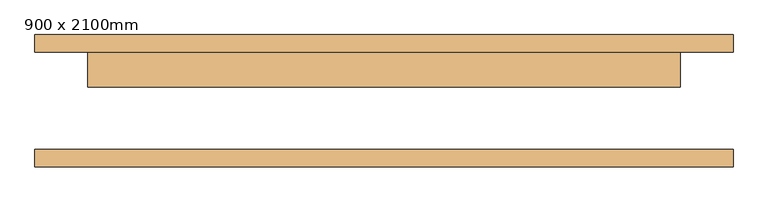
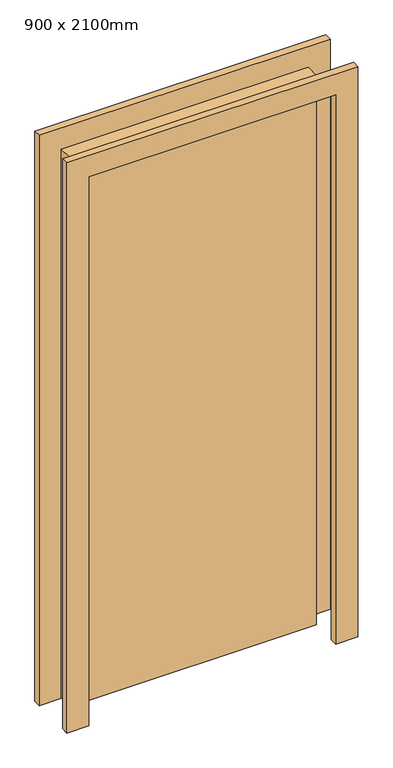
"""IFC4 building model written with IfcOpenShell, lengths in millimetres: door geometry, 900 x 2100mm."""

import ifcopenshell
import ifcopenshell.guid

model = None  # the IFC model being written
_history = None  # IfcOwnerHistory: only IFC2X3 demands one
_inside = {}  # id of a spatial element -> (the spatial element, [elements in it])
_under = {}  # id of a project, library or spatial element -> (it, [spatial elements below it])
_declared = {}  # id of a project -> (the project, [libraries it declares])
_typed = {}  # id of a type object -> (the type object, [elements of that type])
_made_of = {}  # id of a material, layer set ... -> (it, [elements and type objects made of it])


def new_model(schema):
    """Start an empty IFC model of exactly this schema.

    Asked for "IFC4X3", IfcOpenShell would pick the latest addendum, in which some entities
    have other attributes; the version numbers below select the first issue.
    IFC2X3 requires an IfcOwnerHistory on every rooted entity: one is made here for all.
    """
    global model, _history
    if schema == "IFC4X3":
        model = ifcopenshell.file(schema_version=(4, 3, 0, 0))
    else:
        model = ifcopenshell.file(schema=schema)
    _inside.clear()
    _under.clear()
    _declared.clear()
    _typed.clear()
    _made_of.clear()
    _history = None
    if model.schema == "IFC2X3":
        org = make("IfcOrganization", Name="unknown")
        user = make(
            "IfcPersonAndOrganization",
            ThePerson=make("IfcPerson", FamilyName="unknown"),
            TheOrganization=org,
        )
        app = make(
            "IfcApplication",
            ApplicationDeveloper=org,
            Version="unknown",
            ApplicationFullName="unknown",
            ApplicationIdentifier="unknown",
        )
        _history = make(
            "IfcOwnerHistory",
            OwningUser=user,
            OwningApplication=app,
            ChangeAction="ADDED",
            CreationDate=0,
        )
    return model


def make(cls, **values):
    """One entity of the class cls with the attributes given. An attribute that is None is left unset."""
    return model.create_entity(
        cls, **{name: value for name, value in values.items() if value is not None}
    )


def rooted(cls, **values):
    """An entity with a GlobalId (a new one), such as an element, a storey or a relation."""
    return make(cls, GlobalId=ifcopenshell.guid.new(), OwnerHistory=_history, **values)


def si_unit(unit_type, name, prefix=None):
    """IfcSIUnit, for example si_unit("LENGTHUNIT", "METRE", prefix="MILLI")."""
    return make("IfcSIUnit", UnitType=unit_type, Prefix=prefix, Name=name)


def assignment(units):
    """IfcUnitAssignment: the units of a project."""
    return None if units is None else make("IfcUnitAssignment", Units=units)


def point(xyz):
    """IfcCartesianPoint."""
    return None if xyz is None else make("IfcCartesianPoint", Coordinates=xyz)


def direction(xyz):
    """IfcDirection."""
    return None if xyz is None else make("IfcDirection", DirectionRatios=xyz)


def frame(location, z_axis=None, x_axis=None):
    """IfcAxis2Placement3D, a coordinate frame: its origin and axes. An axis left out is left unset."""
    return make(
        "IfcAxis2Placement3D",
        Location=point(location),
        Axis=direction(z_axis),
        RefDirection=direction(x_axis),
    )


def origin():
    """The frame at (0, 0, 0) with its axes left unset."""
    return frame((0.0, 0.0, 0.0))


def origin_with_axes():
    """The frame at (0, 0, 0) with the z axis (0, 0, 1) and the x axis (1, 0, 0) written out."""
    return frame((0.0, 0.0, 0.0), z_axis=(0.0, 0.0, 1.0), x_axis=(1.0, 0.0, 0.0))


def place(relative_to, where):
    """IfcLocalPlacement: puts the frame where relative to a parent placement (None: the world)."""
    return make(
        "IfcLocalPlacement", PlacementRelTo=relative_to, RelativePlacement=where
    )


def context(
    kind, dimensions, precision=None, world=None, true_north=None, identifier=None
):
    """IfcGeometricRepresentationContext, for example the 3D "Model" context."""
    return make(
        "IfcGeometricRepresentationContext",
        ContextIdentifier=identifier,
        ContextType=kind,
        CoordinateSpaceDimension=dimensions,
        Precision=precision,
        WorldCoordinateSystem=world,
        TrueNorth=true_north,
    )


def project(units=None, contexts=None):
    """IfcProject with its units and contexts."""
    return rooted(
        "IfcProject",
        Name="project",
        RepresentationContexts=contexts,
        UnitsInContext=assignment(units),
    )


def spatial(cls, under=None, at=None, **own):
    """A site, building, storey or space (cls), placed at a placement, below another one or the project."""
    s = rooted(cls, ObjectPlacement=at, **own)
    if under is not None:
        _under.setdefault(under.id(), (under, []))[1].append(s)
    return s


def polyline(points):
    """IfcPolyline through the points."""
    return make("IfcPolyline", Points=[point(p) for p in points])


def outline(outer, holes=None, kind="AREA"):
    """IfcArbitraryClosedProfileDef: a profile drawn as a closed curve; with holes, ...WithVoids."""
    if holes is None:
        return make("IfcArbitraryClosedProfileDef", ProfileType=kind, OuterCurve=outer)
    return make(
        "IfcArbitraryProfileDefWithVoids",
        ProfileType=kind,
        OuterCurve=outer,
        InnerCurves=holes,
    )


def extrude(swept, where, along, depth):
    """IfcExtrudedAreaSolid: the profile swept, set in the frame where, extruded along a direction by depth."""
    return make(
        "IfcExtrudedAreaSolid",
        SweptArea=swept,
        Position=where,
        ExtrudedDirection=direction(along),
        Depth=depth,
    )


def shape(context_of_items, identifier, shape_type, items):
    """IfcShapeRepresentation: the items that make up one representation, for example the "Body"."""
    return make(
        "IfcShapeRepresentation",
        ContextOfItems=context_of_items,
        RepresentationIdentifier=identifier,
        RepresentationType=shape_type,
        Items=items,
    )


def source(mapping_origin, context_of_items, identifier, shape_type, items):
    """IfcRepresentationMap: a shape defined once, which mapped items show again and again."""
    return make(
        "IfcRepresentationMap",
        MappingOrigin=mapping_origin,
        MappedRepresentation=shape(context_of_items, identifier, shape_type, items),
    )


def transform(
    local_origin,
    x_axis=None,
    y_axis=None,
    z_axis=None,
    scale=None,
    scale2=None,
    scale3=None,
    uniform=True,
):
    """IfcCartesianTransformationOperator3D, or its non-uniform kind. x_axis, y_axis, z_axis: its Axis1, 2, 3."""
    if uniform:
        return make(
            "IfcCartesianTransformationOperator3D",
            Axis1=direction(x_axis),
            Axis2=direction(y_axis),
            LocalOrigin=point(local_origin),
            Scale=scale,
            Axis3=direction(z_axis),
        )
    return make(
        "IfcCartesianTransformationOperator3DnonUniform",
        Axis1=direction(x_axis),
        Axis2=direction(y_axis),
        LocalOrigin=point(local_origin),
        Scale=scale,
        Axis3=direction(z_axis),
        Scale2=scale2,
        Scale3=scale3,
    )


def mapped(mapping_source, mapping_target):
    """IfcMappedItem: shows the shape of a source again, moved by a transform."""
    return make(
        "IfcMappedItem", MappingSource=mapping_source, MappingTarget=mapping_target
    )


def made_of(thing, what):
    """Note that an element or type object is made of a material, layer set ...; save() writes the relation."""
    if what is not None:
        _made_of.setdefault(what.id(), (what, []))[1].append(thing)
    return thing


def element(
    cls,
    number,
    at=None,
    inside=None,
    cuts=None,
    type_object=None,
    material=None,
    context=None,
    identifier="Body",
    shape_type=None,
    held_by="IfcProductDefinitionShape",
    body=None,
    shapes=None,
    **own,
):
    """One element of the class cls, such as IfcWall. Its Tag is "e" and its number.

    at: its placement. inside: the storey or other place that contains it. cuts: it is an
    opening in that element (IfcRelVoidsElement). A single representation is given by context,
    identifier, shape_type and body (its items); several are given by shapes. held_by: the class
    of the entity that holds the representations. save() writes the other relations.
    """
    e = rooted(cls, Tag="e%d" % number, ObjectPlacement=at, **own)
    if body is not None:
        shapes = [shape(context, identifier, shape_type, body)]
    if shapes is not None:
        e.Representation = make(held_by, Representations=shapes)
    if inside is not None:
        _inside.setdefault(inside.id(), (inside, []))[1].append(e)
    if cuts is not None:
        rooted(
            "IfcRelVoidsElement", RelatingBuildingElement=cuts, RelatedOpeningElement=e
        )
    if type_object is not None:
        _typed.setdefault(type_object.id(), (type_object, []))[1].append(e)
    return made_of(e, material)


def aggregate(whole, parts):
    """IfcRelAggregates: a whole, such as a stair, and the parts it consists of."""
    return rooted("IfcRelAggregates", RelatingObject=whole, RelatedObjects=parts)


def save(model, path):
    """Write the relations noted so far, then the file.

    IfcRelAggregates (storeys below a building ...), IfcRelContainedInSpatialStructure (elements
    in a storey), IfcRelDefinesByType, IfcRelAssociatesMaterial and IfcRelDeclares: one each for
    every whole, place, type object, material and project.
    """
    for whole, parts in _under.values():
        aggregate(whole, parts)
    for where, things in _inside.values():
        rooted(
            "IfcRelContainedInSpatialStructure",
            RelatedElements=things,
            RelatingStructure=where,
        )
    for kind, things in _typed.values():
        rooted("IfcRelDefinesByType", RelatedObjects=things, RelatingType=kind)
    for what, things in _made_of.values():
        rooted("IfcRelAssociatesMaterial", RelatedObjects=things, RelatingMaterial=what)
    for by, libraries in _declared.values():
        rooted("IfcRelDeclares", RelatingContext=by, RelatedDefinitions=libraries)
    model.write(path)


def door_900_x_2100mm_fbac1351(model_context):
    return source(origin(), model_context, "Body", "SweptSolid", [
        extrude(outline(polyline([(425.0, 20.0), (-425.0, 20.0), (-425.0, 70.0), (425.0, 70.0), (425.0, 20.0)])), origin_with_axes(), (0.0, 0.0, 1.0), 2000.0),
        extrude(outline(polyline([(2076.2, -501.2), (0.0, -501.2), (0.0, -425.0), (2000.0, -425.0), (2000.0, 425.0), (0.0, 425.0), (0.0, 501.2), (2076.2, 501.2), (2076.2, -501.2)])), frame((0.0, 70.0, 0.0), z_axis=(0.0, 1.0, 0.0), x_axis=(0.0, 0.0, 1.0)), (0.0, 0.0, 1.0), 25.0),
        extrude(outline(polyline([(2076.2, 501.2), (2076.2, -501.2), (0.0, -501.2), (0.0, -425.0), (2000.0, -425.0), (2000.0, 425.0), (0.0, 425.0), (0.0, 501.2), (2076.2, 501.2)])), frame((0.0, -95.0, 0.0), z_axis=(0.0, 1.0, 0.0), x_axis=(0.0, 0.0, 1.0)), (0.0, 0.0, 1.0), 25.0),
    ])


if __name__ == "__main__":
    model = new_model("IFC4")
    model_context = context("Model", 3, world=origin())
    ifc_project = project(units=[si_unit("LENGTHUNIT", "METRE", prefix="MILLI")], contexts=[model_context])
    site = spatial("IfcSite", under=ifc_project)
    building = spatial("IfcBuilding", under=site)
    placement = place(None, origin())
    door_900_x_2100mm_shape = door_900_x_2100mm_fbac1351(model_context)
    element("IfcDoor", 1, ObjectType="900 x 2100mm", at=placement, inside=building, context=model_context, shape_type="MappedRepresentation", body=[
        mapped(door_900_x_2100mm_shape, transform((0.0, 0.0, 0.0), x_axis=(1.0, 0.0, 0.0), y_axis=(0.0, 1.0, 0.0), z_axis=(0.0, 0.0, 1.0))),
    ])
    save(model, "model.ifc")
